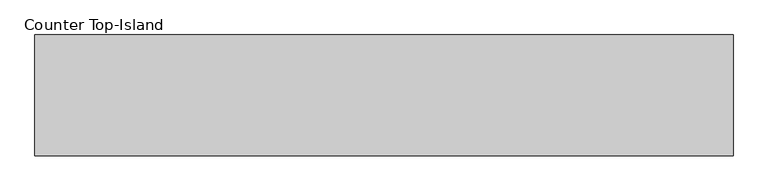
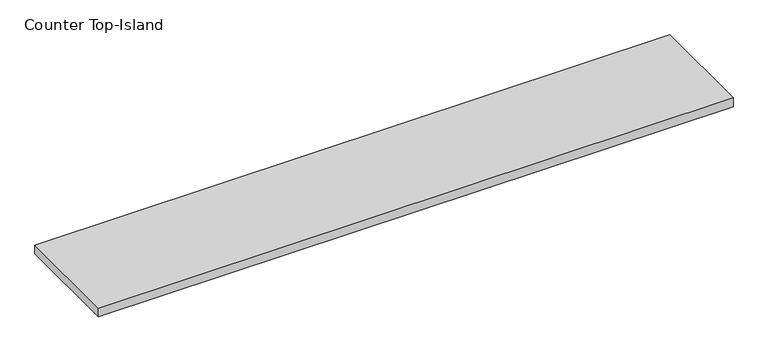
"""IFC4 building model written with IfcOpenShell, lengths in millimetres: furniture geometry, Counter Top-Island."""

from ifc_helpers import new_model, si_unit, frame, origin, place, context, project, spatial, polyline, outline, extrude, source, transform, mapped, element, save


def counter_top_island_05431d29(model_context):
    return source(origin(), model_context, "Body", "SweptSolid", [
        extrude(outline(polyline([(1441.1377049, 25.4), (1441.1377049, -431.8), (-1200.4622951, -431.8), (-1200.4622951, 25.4), (1441.1377049, 25.4)])), frame((0.0, 0.0, 1104.9), z_axis=(0.0, 0.0, 1.0), x_axis=(1.0, 0.0, 0.0)), (0.0, 0.0, 1.0), 38.1),
    ])


if __name__ == "__main__":
    model = new_model("IFC4")
    model_context = context("Model", 3, world=origin())
    ifc_project = project(units=[si_unit("LENGTHUNIT", "METRE", prefix="MILLI")], contexts=[model_context])
    site = spatial("IfcSite", under=ifc_project)
    building = spatial("IfcBuilding", under=site)
    placement = place(None, origin())
    counter_top_island_shape = counter_top_island_05431d29(model_context)
    element("IfcFurniture", 1, ObjectType="Counter Top-Island", at=placement, inside=building, context=model_context, shape_type="MappedRepresentation", body=[
        mapped(counter_top_island_shape, transform((0.0, 0.0, 0.0), x_axis=(1.0, 0.0, 0.0), y_axis=(0.0, 1.0, 0.0), z_axis=(0.0, 0.0, 1.0))),
    ])
    save(model, "model.ifc")
